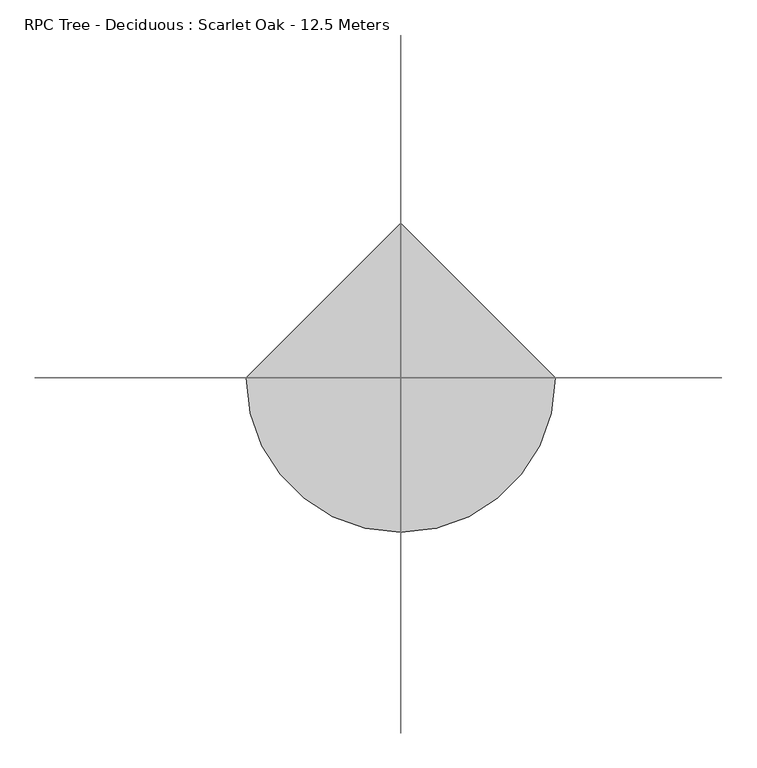
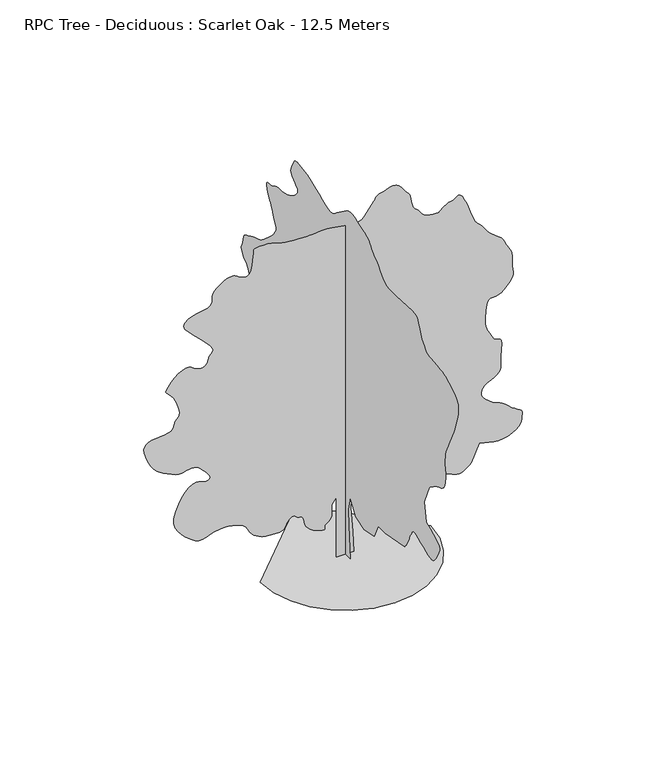
"""IFC4 building model written with IfcOpenShell, lengths in millimetres: geographic element geometry, RPC Tree - Deciduous : Scarlet Oak - 12.5 Meters."""

from ifc_helpers import new_model, si_unit, origin, place, context, project, spatial, triangles, source, transform, mapped, element, save


def rpc_tree_deciduous_scarlet_oak_12_5_meters_13b38d7d(model_context):
    return source(origin(), model_context, "Body", "Tessellation", [
        triangles([(0.0172504, 306.0074844, 0.0), (0.0172504, -293.5650026, 0.0), (0.0172504, -196.8600042, 1141.1199549), (0.0172504, -177.5184886, 1682.6674953), (0.0172504, -293.5650026, 2185.5349113), (0.0172504, -603.0224945, 1682.6674953), (0.0172504, -1105.8875124, 1527.9400211), (0.0172504, -1686.1174301, 1663.3275421), (0.0172504, -1918.2099495, 2146.8525341), (0.0172504, -2324.3725124, 2146.8525341), (0.0172504, -3446.1498253, 2359.6049549), (0.0172504, -3487.4249222, 2409.394939), (0.0172504, -3527.7000801, 2459.5225479), (0.0172504, -3565.9250725, 2510.3249702), (0.0172504, -3601.0999603, 2562.1500046), (0.0172504, -3632.2248047, 2615.3249565), (0.0172504, -3658.2749588, 2670.2000954), (0.0172504, -3678.2499023, 2727.0748215), (0.0172504, -3697.649881, 2785.6750237), (0.0172504, -3722.1248405, 2845.2748741), (0.0172504, -3750.8248329, 2905.7249634), (0.0172504, -3782.89991, 2966.8500114), (0.0172504, -3817.5248314, 3028.475029), (0.0172504, -3853.8249413, 3090.4500252), (0.0172504, -3890.9999977, 3152.5750122), (0.0172504, -3908.7000801, 3172.6499496), (0.0172504, -3933.1750397, 3188.8498329), (0.0172504, -3971.1750458, 3197.2499016), (0.0172504, -4029.4749756, 3193.9748108), (0.0172504, -4114.8499969, 3175.1500877), (0.0172504, -4234.0499886, 3136.8498093), (0.0172504, -4393.8498276, 3075.2250824), (0.0172504, -4562.5749939, 3002.6998581), (0.0172504, -4706.2499451, 2937.9750298), (0.0172504, -4828.2750549, 2886.4249786), (0.0172504, -4932.0251175, 2853.4999535), (0.0172504, -5020.8999252, 2844.5999153), (0.0172504, -5098.249855, 2865.1248253), (0.0172504, -5167.4996979, 2920.4999336), (0.0172504, -5237.3750839, 3007.7248421), (0.0172504, -5309.5997452, 3113.9000473), (0.0172504, -5377.0996948, 3229.5499649), (0.0172504, -5432.7497864, 3345.1998825), (0.0172504, -5469.4498718, 3451.3750877), (0.0172504, -5480.1248016, 3538.6249947), (0.0172504, -5457.6250122, 3597.424894), (0.0172504, -5402.6498795, 3641.6998077), (0.0172504, -5323.3000717, 3691.0249947), (0.0172504, -5223.6747574, 3744.5999222), (0.0172504, -5107.774855, 3801.5499344), (0.0172504, -4979.7251129, 3861.0500816), (0.0172504, -4843.5499947, 3922.224836), (0.0172504, -4703.3248329, 3984.2498291), (0.0172504, -4587.2749397, 4641.8498062), (0.0172504, -4877.3749649, 5318.7747665), (0.0172504, -4886.5249878, 5331.7001404), (0.0172504, -4900.7247025, 5347.4747589), (0.0172504, -4925.0999588, 5369.0251877), (0.0172504, -4964.6748688, 5399.20009), (0.0172504, -5024.5497025, 5440.8498734), (0.0172504, -5109.8247299, 5496.8999405), (0.0172504, -5225.5246445, 5570.225116), (0.0172504, -5351.0501221, 5636.6501312), (0.0172504, -5462.3497238, 5680.0498077), (0.0172504, -5559.4501923, 5715.3499786), (0.0172504, -5642.3497833, 5757.424736), (0.0172504, -5711.0246613, 5821.1499161), (0.0172504, -5765.4998245, 5921.4001923), (0.0172504, -5805.7496933, 6073.0746552), (0.0172504, -5829.0500153, 6222.0498642), (0.0172504, -5835.7501877, 6317.5748474), (0.0172504, -5830.6249191, 6379.6001312), (0.0172504, -5818.3750854, 6428.1000778), (0.0172504, -5803.7748138, 6483.0246323), (0.0172504, -5791.5499786, 6564.3249023), (0.0172504, -5786.4247101, 6691.9996674), (0.0172504, -5788.2251816, 6832.849791), (0.0172504, -5796.1246994, 6949.6746368), (0.0172504, -5813.8247818, 7056.3751007), (0.0172504, -5845.0496201, 7166.7747574), (0.0172504, -5893.550148, 7294.7750839), (0.0172504, -5963.0249771, 7454.2496521), (0.0172504, -6057.1750443, 7659.049942), (0.0172504, -6146.5748199, 7844.1746887), (0.0172504, -6206.1746704, 7955.8748474), (0.0172504, -6246.4751175, 8024.9497009), (0.0172504, -6277.9999374, 8082.1746964), (0.0172504, -6311.2246536, 8158.3496979), (0.0172504, -6356.599791, 8284.2751511), (0.0172504, -6424.6747055, 8490.6997604), (0.0172504, -6498.0248795, 8729.4997192), (0.0172504, -6547.3747742, 8935.1499573), (0.0172504, -6565.2498459, 9112.3746048), (0.0172504, -6544.199968, 9265.925116), (0.0172504, -6476.8250107, 9400.5250397), (0.0172504, -6355.6498489, 9520.8996689), (0.0172504, -6173.2249374, 9631.8248749), (0.0172504, -5996.2246948, 9723.0001236), (0.0172504, -5879.7998245, 9785.7747803), (0.0172504, -5799.2250916, 9827.2001587), (0.0172504, -5729.799678, 9854.4496582), (0.0172504, -5646.85009, 9874.575174), (0.0172504, -5525.6749283, 9894.699527), (0.0172504, -5341.575119, 9921.9501892), (0.0172504, -5144.0999634, 9943.4244598), (0.0172504, -4990.9500092, 9951.725116), (0.0172504, -4869.5998581, 9962.0244873), (0.0172504, -4767.5499825, 9989.5995483), (0.0172504, -4672.2499855, 10049.6493713), (0.0172504, -4571.2000488, 10157.425351), (0.0172504, -4451.8750648, 10328.0998169), (0.0172504, -4347.6750298, 10515.7499908), (0.0172504, -4286.1000092, 10666.5500885), (0.0172504, -4245.8498497, 10783.8243256), (0.0172504, -4205.5749825, 10871.0003998), (0.0172504, -4143.9999619, 10931.4501984), (0.0172504, -4039.7999268, 10968.5502594), (0.0172504, -3871.650016, 10985.7003754), (0.0172504, -2943.2749969, 10927.6748474), (0.0172504, -2772.1499771, 10930.6746643), (0.0172504, -2632.8250511, 10930.2746887), (0.0172504, -2514.4500092, 10937.3242584), (0.0172504, -2406.244986, 10962.6250397), (0.0172504, -2297.3599171, 11017.0496246), (0.0172504, -2176.9724979, 11111.3752625), (0.0172504, -2034.2549011, 11256.4745453), (0.0172504, -1896.7275398, 11403.0249023), (0.0172504, -1793.7049038, 11502.8746216), (0.0172504, -1717.0749882, 11568.5752625), (0.0172504, -1658.7124168, 11612.6248993), (0.0172504, -1610.5024235, 11647.5250946), (0.0172504, -1564.3199226, 11685.7995026), (0.0172504, -1512.0500027, 11739.9996826), (0.0172504, -1461.8649845, 11803.9992645), (0.0172504, -1420.8125484, 11863.6002777), (0.0172504, -1379.087479, 11919.1503754), (0.0172504, -1326.8724976, 11970.9495392), (0.0172504, -1254.3574471, 12019.4000702), (0.0172504, -1151.7299904, 12064.7996246), (0.0172504, -1009.182514, 12107.4749268), (0.0172504, -849.1549999, 12154.4999634), (0.0172504, -699.9524792, 12206.6002716), (0.0172504, -560.5600064, 12254.6496643), (0.0172504, -429.9675053, 12289.4998627), (0.0172504, -307.1549798, 12302.0246796), (0.0172504, -191.1079934, 12283.0746735), (0.0172504, -80.8134993, 12223.5248199), (0.0172504, 499.4174812, 11798.0252106), (0.0172504, 562.2325061, 11740.8496307), (0.0172504, 623.0199657, 11688.7493225), (0.0172504, 689.217524, 11646.7751404), (0.0172504, 768.2749804, 11620.0500275), (0.0172504, 867.6299623, 11613.6248383), (0.0172504, 994.7275097, 11632.5748444), (0.0172504, 1157.0125168, 11681.9753174), (0.0172504, 1341.1749676, 11755.3243286), (0.0172504, 1526.6899521, 11837.8251068), (0.0172504, 1710.1749733, 11922.0246185), (0.0172504, 1888.2475342, 12000.4500641), (0.0172504, 2057.5249924, 12065.6995697), (0.0172504, 2214.6199093, 12110.3003357), (0.0172504, 2356.1550201, 12126.8249084), (0.0172504, 2484.8875694, 12135.849939), (0.0172504, 2604.4750374, 12156.3742676), (0.0172504, 2712.9248131, 12178.575238), (0.0172504, 2808.1498146, 12192.6743774), (0.0172504, 2888.1748718, 12188.8501923), (0.0172504, 2950.9248207, 12157.2753754), (0.0172504, 2994.400074, 12088.1249451), (0.0172504, 3033.2500282, 12001.2500153), (0.0172504, 3077.8499222, 11921.1246735), (0.0172504, 3119.7499809, 11845.0502472), (0.0172504, 3150.4998482, 11770.3245758), (0.0172504, 3161.6000427, 11694.2745667), (0.0172504, 3144.6249161, 11614.1503876), (0.0172504, 3091.124984, 11527.2498779), (0.0172504, 3009.2500397, 11447.6245056), (0.0172504, 2921.5998665, 11385.2492432), (0.0172504, 2841.4248184, 11331.3502075), (0.0172504, 2781.8749649, 11277.1000305), (0.0172504, 2756.1750801, 11213.7248291), (0.0172504, 2777.4749428, 11132.4251404), (0.0172504, 2859.0249069, 11024.3747589), (0.0172504, 2971.6250107, 10916.724353), (0.0172504, 3077.7999252, 10838.2000763), (0.0172504, 3178.2249001, 10782.3), (0.0172504, 3273.574894, 10742.6745117), (0.0172504, 3364.5248657, 10712.8251709), (0.0172504, 3451.7750633, 10686.4000397), (0.0172504, 3535.9498672, 10656.8995148), (0.0172504, 3620.024968, 10634.1753204), (0.0172504, 3706.4749237, 10626.6746155), (0.0172504, 3795.2750267, 10625.9502411), (0.0172504, 3886.4499847, 10623.5248077), (0.0172504, 3979.9997978, 10610.9499939), (0.0172504, 4075.9250473, 10579.7495728), (0.0172504, 4174.1998627, 10521.5252197), (0.0172504, 4275.775058, 10469.7993073), (0.0172504, 4375.6250679, 10451.2492767), (0.0172504, 4464.9998451, 10446.8995422), (0.0172504, 4535.0999268, 10437.8245148), (0.0172504, 4577.0999794, 10405.075351), (0.0172504, 4582.2249573, 10329.6753021), (0.0172504, 4541.6998146, 10192.7243591), (0.0172504, 4481.7999825, 10048.5994354), (0.0172504, 4432.0748199, 9951.4995483), (0.0172504, 4388.424868, 9882.1247131), (0.0172504, 4346.824791, 9821.224942), (0.0172504, 4303.174839, 9749.4996689), (0.0172504, 4253.4249687, 9647.6750702), (0.0172504, 4193.5498444, 9496.4499985), (0.0172504, 4130.2749275, 9347.6997757), (0.0172504, 4075.8250534, 9253.7496964), (0.0172504, 4034.1999779, 9195.999733), (0.0172504, 4009.500032, 9155.8498581), (0.0172504, 4005.7749687, 9114.7000443), (0.0172504, 4027.0998299, 9053.8996857), (0.0172504, 4077.4999512, 8954.8999146), (0.0172504, 4167.2249977, 8823.6747849), (0.0172504, 4293.1248711, 8684.3501495), (0.0172504, 4439.3499573, 8545.349913), (0.0172504, 4589.9500671, 8415.1497208), (0.0172504, 4729.0750053, 8302.1996384), (0.0172504, 4840.7748734, 8214.9747299), (0.0172504, 4909.1747681, 8161.9000626), (0.0172504, 4969.9001312, 8128.6997635), (0.0172504, 5061.0747986, 8095.1500671), (0.0172504, 5170.5250946, 8060.9248306), (0.0172504, 5286.0750183, 8025.6746567), (0.0172504, 5395.524733, 7989.0751465), (0.0172504, 5486.6999817, 7950.8001572), (0.0172504, 5547.4247635, 7910.4747116), (0.0172504, 5598.275148, 7876.9750122), (0.0172504, 5663.0246841, 7853.2997131), (0.0172504, 5734.1749924, 7830.2999542), (0.0172504, 5804.3247803, 7798.8251312), (0.0172504, 5866.0250839, 7749.7746368), (0.0172504, 5911.8001968, 7673.9746124), (0.0172504, 5934.2499893, 7562.325032), (0.0172504, 5952.6250305, 7450.1749008), (0.0172504, 5984.1998474, 7370.8500916), (0.0172504, 6018.4750809, 7312.1496048), (0.0172504, 6044.9996246, 7261.899765), (0.0172504, 6053.224704, 7207.9501511), (0.0172504, 6032.699794, 7138.074765), (0.0172504, 5972.9249542, 7040.1249298), (0.0172504, 5898.7248322, 6948.3747162), (0.0172504, 5838.7250061, 6893.5251572), (0.0172504, 5788.2001831, 6857.9500031), (0.0172504, 5742.4000717, 6824.0497467), (0.0172504, 5696.6249588, 6774.2498795), (0.0172504, 5646.1001358, 6690.9747299), (0.0172504, 5586.0997284, 6556.5997925), (0.0172504, 5520.6996506, 6421.9998688), (0.0172504, 5460.6998245, 6337.1498154), (0.0172504, 5411.5249191, 6283.0746277), (0.0172504, 5378.6001846, 6240.824881), (0.0172504, 5367.3247101, 6191.4999847), (0.0172504, 5383.09991, 6116.0999359), (0.0172504, 5431.3748703, 5995.7247253), (0.0172504, 5495.5000259, 5864.0496231), (0.0172504, 5555.8748291, 5761.8250488), (0.0172504, 5613.5747955, 5680.5747757), (0.0172504, 5669.5498672, 5611.8249023), (0.0172504, 5724.8749786, 5547.1497803), (0.0172504, 5780.5250702, 5478.0749268), (0.0172504, 5837.5250793, 5396.1496948), (0.0172504, 5903.6751114, 5315.3499756), (0.0172504, 5980.6500641, 5249.4249298), (0.0172504, 6060.324852, 5189.6000931), (0.0172504, 6134.5999695, 5127.0498413), (0.0172504, 6195.3247513, 5053.0247086), (0.0172504, 6234.3996918, 4958.6746536), (0.0172504, 6243.6997055, 4835.2499199), (0.0172504, 6251.5248093, 4738.3250221), (0.0172504, 6280.349794, 4706.349939), (0.0172504, 6313.2251129, 4704.825032), (0.0172504, 6333.2500534, 4699.249791), (0.0172504, 6323.4750687, 4655.0998695), (0.0172504, 6267.0500244, 4537.8750481), (0.0172504, 6146.999794, 4313.0498177), (0.0172504, 6021.4748978, 4060.8748032), (0.0172504, 5945.6998718, 3875.3750793), (0.0172504, 5898.3248566, 3742.6250427), (0.0172504, 5858.0749878, 3648.7999557), (0.0172504, 5803.5998245, 3580.0000854), (0.0172504, 5713.6000854, 3522.3748238), (0.0172504, 5566.7747452, 3462.0500175), (0.0172504, 5397.2496277, 3413.0998077), (0.0172504, 5248.0500137, 3392.5748978), (0.0172504, 5111.0246567, 3390.9999939), (0.0172504, 4978.0746323, 3398.8998024), (0.0172504, 4841.0498566, 3406.7749031), (0.0172504, 4691.8499519, 3405.1999992), (0.0172504, 4522.3498329, 3384.6750893), (0.0172504, 4353.2999771, 3366.3000481), (0.0172504, 4207.2498802, 3370.249807), (0.0172504, 4078.7998718, 3385.7000267), (0.0172504, 3962.5249924, 3401.8249146), (0.0172504, 3853.0249901, 3407.7998405), (0.0172504, 3744.8749054, 3392.799884), (0.0172504, 3632.6500694, 3345.9998337), (0.0172504, 3525.249939, 3296.2499634), (0.0172504, 3436.4248375, 3270.1998093), (0.0172504, 3368.249929, 3253.6249489), (0.0172504, 3322.75009, 3232.3250862), (0.0172504, 3301.9499062, 3192.0499283), (0.0172504, 3307.8748352, 3118.6500481), (0.0172504, 3342.5500443, 2997.8498634), (0.0172504, 3398.4748283, 2869.5248474), (0.0172504, 3465.5748024, 2778.7248665), (0.0172504, 3542.0000793, 2719.2500084), (0.0172504, 3625.8499031, 2684.8000763), (0.0172504, 3715.274968, 2669.1248703), (0.0172504, 3808.4248055, 2665.9500641), (0.0172504, 3903.4248207, 2669.0498749), (0.0172504, 4270.9250633, 2262.8999565), (0.0172504, 4299.7250496, 2217.1674282), (0.0172504, 4327.3498169, 2170.5925095), (0.0172504, 4352.6250183, 2122.3249615), (0.0172504, 4374.3248566, 2071.5174522), (0.0172504, 4391.2999832, 2017.3299168), (0.0172504, 4402.3498901, 1958.9124069), (0.0172504, 4406.2999397, 1895.4199162), (0.0172504, 4405.6249809, 1829.2200325), (0.0172504, 4400.8999786, 1763.6974331), (0.0172504, 4388.0248924, 1699.5299835), (0.0172504, 4362.9999664, 1637.3900265), (0.0172504, 4321.7248695, 1577.9574623), (0.0172504, 4260.1498489, 1521.9075405), (0.0172504, 4174.1998627, 1469.9175453), (0.0172504, 4092.2249245, 1425.7650078), (0.0172504, 4034.5999535, 1391.4249527), (0.0172504, 3985.4250481, 1364.8674168), (0.0172504, 3928.800016, 1344.0599659), (0.0172504, 3848.8499542, 1326.9749622), (0.0172504, 3729.6499626, 1311.5799717), (0.0172504, 3555.2998489, 1295.8475018), (0.0172504, 3356.9750359, 1298.1024513), (0.0172504, 3174.2248535, 1332.8375404), (0.0172504, 3003.6500908, 1392.27243), (0.0172504, 2841.8750816, 1468.6199501), (0.0172504, 2685.525032, 1554.1049938), (0.0172504, 2531.1748604, 1640.9424259), (0.0172504, 2375.4949734, 1721.3500179), (0.0172504, 2236.6674007, 1794.4849434), (0.0172504, 2129.3049133, 1863.5599422), (0.0172504, 2044.6099377, 1926.8850014), (0.0172504, 1973.7875164, 1982.7650208), (0.0172504, 1908.0399307, 2029.5099873), (0.0172504, 1838.5700432, 2065.4300331), (0.0172504, 1756.5824604, 2088.8299129), (0.0172504, 1666.4174698, 2108.5649002), (0.0172504, 1577.6074837, 2133.0375343), (0.0172504, 1489.134977, 2159.8799366), (0.0172504, 1399.9875114, 2186.7200134), (0.0172504, 1309.1449459, 2211.1925022), (0.0172504, 1215.5974583, 2230.9274895), (0.0172504, 1118.3299942, 2243.5575325), (0.0172504, 1018.8625191, 2250.1549496), (0.0172504, 919.3925005, 2253.7074944), (0.0172504, 819.9249527, 2254.7224033), (0.0172504, 720.4574776, 2253.7074944), (0.0172504, 620.9900024, 2251.1700039), (0.0172504, 521.5199839, 2247.6174591), (0.0172504, 422.0525087, 2243.5575325), (0.0172504, 228.6430025, 1953.4425373), (0.0172504, 189.960498, 1508.5999226), (280.4450004, 0.0006008, 0.0092122), (-299.78499, 0.0006008, 0.0092122), (-299.78499, 0.0004756, 2127.5199932), (-454.5149895, 0.0004756, 1914.7698978), (-454.5149895, 0.0005007, 1682.6775238), (-450.962481, 0.0005007, 1628.8274677), (-450.962481, 0.0005007, 1575.1449886), (-458.0674979, 0.0005007, 1521.8024597), (-475.8274967, 0.0005257, 1468.967458), (-507.8000001, 0.0005257, 1416.8100311), (-557.5350094, 0.0005257, 1365.4949947), (-628.5824896, 0.0005257, 1315.1974834), (-684.2375227, 0.0005257, 1262.982502), (-699.6325132, 0.0005257, 1210.0899456), (-696.0799685, 0.0005257, 1162.9524885), (-694.8950117, 0.0005257, 1127.990015), (-717.3950191, 0.0005257, 1111.6374521), (-784.8899546, 0.0005257, 1120.3224598), (-918.6974848, 0.0005257, 1160.4700092), (-1071.3399845, 0.0005257, 1223.0050003), (-1185.4124548, 0.0005257, 1293.6575191), (-1267.3424103, 0.0005257, 1371.0799736), (-1323.5625252, 0.0005257, 1453.9124176), (-1360.49748, 0.0005007, 1540.8049335), (-1384.5749348, 0.0005007, 1630.4049877), (-1402.2250202, 0.0005007, 1721.359901), (-1406.7349194, 0.0005007, 1746.1124599), (-1413.4449749, 0.0005007, 1770.1899147), (-1424.5524364, 0.0005007, 1792.9174519), (-1442.2599312, 0.0005007, 1813.6099388), (-1468.7599125, 0.0005007, 1831.5975037), (-1506.2599491, 0.0005007, 1846.2024261), (-1556.9524944, 0.0005007, 1856.747422), (-1607.6450397, 0.0005007, 1874.1124958), (-1647.509903, 0.0005007, 1903.3224861), (-1682.3024014, 0.0004756, 1934.8999191), (-1717.7700039, 0.0004756, 1959.3724079), (-1759.6674465, 0.0004756, 1967.2674202), (-1813.7424889, 0.0004756, 1949.1099529), (-1885.7500122, 0.0005007, 1895.4274738), (-1949.0724552, 0.0005007, 1820.3199944), (-1984.9925011, 0.0005007, 1746.902528), (-2011.0999191, 0.0005007, 1679.2374722), (-2044.9875309, 0.0005007, 1621.382428), (-2104.2525181, 0.0005007, 1577.402409), (-2206.4824699, 0.0005007, 1551.3499294), (-2369.2750042, 0.0005007, 1547.2900028), (-2549.149926, 0.0005007, 1559.2449417), (-2695.2000229, 0.0005007, 1578.979929), (-2813.8250496, 0.0005007, 1607.1750103), (-2911.4999016, 0.0005007, 1644.5025284), (-2994.6250603, 0.0005007, 1691.6425289), (-3069.5998444, 0.0005007, 1749.2724415), (-3142.9250198, 0.0005007, 1818.0648994), (-3205.1000038, 0.0005007, 1893.5100037), (-3249.7248962, 0.0004756, 1969.2975288), (-3287.549913, 0.0004756, 2043.389954), (-3329.4499718, 0.0004756, 2113.7624027), (-3386.2249947, 0.0004756, 2178.3824409), (-3468.7249008, 0.0004756, 2235.2224308), (-3587.7499031, 0.0004756, 2282.2499382), (-3707.4248657, 0.0004756, 2317.9974655), (-3794.2497986, 0.0004506, 2343.2600224), (-3862.8249733, 0.0004506, 2359.3875263), (-3927.674794, 0.0004506, 2367.7325111), (-4003.3248276, 0.0004506, 2369.6499813), (-4104.3750549, 0.0004506, 2366.4924706), (-4245.3498802, 0.0004506, 2359.6125126), (-4400.3500122, 0.0004506, 2335.1974331), (-4538.1250328, 0.0004756, 2289.8050003), (-4665.0498436, 0.0004756, 2240.3524956), (-4787.5749229, 0.0004756, 2203.7574909), (-4912.1501678, 0.0004756, 2196.9349422), (-5045.1501892, 0.0004756, 2236.7999508), (-5193.0498825, 0.0004506, 2340.272414), (-5347.7997391, 0.0004506, 2478.6475433), (-5490.6747391, 0.0004506, 2615.9999153), (-5612.2498764, 0.0004256, 2758.4499413), (-5703.0251495, 0.0004256, 2912.049868), (-5753.5499725, 0.0004256, 3082.8999046), (-5754.3499237, 0.0004005, 3277.0999695), (-5695.9250015, 0.0004005, 3500.7249825), (-5598.1501556, 0.0003755, 3726.2748779), (-5489.1998291, 0.0003755, 3919.6999901), (-5372.1499969, 0.0003505, 4077.2499664), (-5250.0248932, 0.0003505, 4195.2000343), (-5125.8499146, 0.0003505, 4269.8498383), (-5002.6998734, 0.0003505, 4297.4998947), (-4883.6001663, 0.0003505, 4274.3748528), (-4771.2750458, 0.0003505, 4235.4749016), (-4671.8250114, 0.0003505, 4218.8750427), (-4593.3248611, 0.0003505, 4225.6499199), (-4543.9249695, 0.0003505, 4256.7750549), (-4531.7498405, 0.0003505, 4313.2748039), (-4564.899852, 0.0003505, 4396.1749763), (-4651.4997986, 0.0003254, 4506.4749298), (-4752.500029, 0.0003254, 4617.0998634), (-4829.4749817, 0.0003254, 4702.3498924), (-4891.5496811, 0.0003254, 4765.2748306), (-4947.8747314, 0.0003254, 4808.9247826), (-5007.6001556, 0.0003254, 4836.3248543), (-5079.8248169, 0.0003004, 4850.5498581), (-5173.7248993, 0.0003004, 4854.5999016), (-5270.0248352, 0.0003254, 4845.5248741), (-5349.7751999, 0.0003254, 4824.5999886), (-5422.3998367, 0.0003254, 4801.3249557), (-5497.39991, 0.0003254, 4785.1247818), (-5584.2248428, 0.0003254, 4785.5250481), (-5692.3746368, 0.0003254, 4811.9748871), (-5831.3248764, 0.0003004, 4873.9498833), (-5978.7751785, 0.0003004, 4948.0997177), (-6108.6248108, 0.0003004, 5012.4248611), (-6224.624707, 0.0003004, 5078.4748993), (-6330.4496429, 0.0003004, 5157.6997147), (-6429.8749695, 0.0003004, 5261.5997681), (-6526.574881, 0.0002754, 5401.7249359), (-6624.2997299, 0.0002754, 5589.5750977), (-6705.1000305, 0.0002503, 5784.4998276), (-6749.6996338, 0.0002503, 5941.2001465), (-6759.8001801, 0.0002503, 6064.0746231), (-6737.074823, 0.0002253, 6157.4997345), (-6683.2246216, 0.0002253, 6225.8996292), (-6599.9500534, 0.0002253, 6273.6496216), (-6488.899855, 0.0002253, 6305.1750229), (-6357.7997177, 0.0002253, 6323.2750809), (-6219.2750336, 0.0002253, 6333.9500107), (-6082.3996674, 0.0002253, 6346.2748398), (-5956.3748016, 0.0002253, 6369.4501694), (-5850.3248795, 0.0002253, 6412.5998611), (-5773.3499268, 0.0002253, 6484.8251038), (-5734.5999664, 0.0002003, 6595.2997559), (-5705.9749695, 0.0002003, 6701.9746399), (-5661.749762, 0.0002003, 6771.4500504), (-5614.8497177, 0.0002003, 6825.699646), (-5578.0746368, 0.0002003, 6886.6999924), (-5564.3248947, 0.0001752, 6976.4747452), (-5586.4247086, 0.0001752, 7116.9998886), (-5657.2500366, 0.0001752, 7330.2496628), (-5757.5497284, 0.0001502, 7540.2996323), (-5853.4746872, 0.0001502, 7672.5247009), (-5935.8498917, 0.0001502, 7750.975145), (-5995.5747345, 0.0001252, 7799.6250824), (-6023.4747757, 0.0001252, 7842.5247894), (-6010.4499893, 0.0001252, 7903.7251236), (-5947.3497711, 0.0001252, 8007.1996216), (-5845.6501648, 0.0001252, 8136.3248795), (-5728.0247864, 0.0001001, 8253.9496765), (-5602.2749039, 0.0001001, 8353.3000076), (-5476.1750427, 0.0001001, 8427.6251221), (-5357.5497253, 0.0001001, 8470.1248535), (-5254.1246429, 0.0001001, 8474.0746124), (-5173.7248993, 0.0001001, 8432.6998123), (-5094.9000595, 0.0001001, 8371.00009), (-4997.8001724, 0.0001001, 8322.8501221), (-4892.5751999, 0.0001001, 8294.6500992), (-4789.3748131, 0.0001001, 8292.8496277), (-4698.3748444, 0.0001001, 8323.8750595), (-4629.6999664, 0.0001001, 8394.1248413), (-4593.4998505, 0.0001001, 8510.0497421), (-4560.3248405, 0.0001001, 8620.5749725), (-4508.224823, 7.51e-05, 8686.1000427), (-4458.4999512, 7.51e-05, 8730.2996704), (-4432.4497971, 7.51e-05, 8776.8747345), (-4451.3998032, 7.51e-05, 8849.4999527), (-4536.6498322, 7.51e-05, 8971.8750412), (-4709.5500343, 5.01e-05, 9167.6497192), (-4926.3498825, 5.01e-05, 9388.7995926), (-5120.1496811, 2.5e-05, 9575.0998489), (-5277.4249649, 2.5e-05, 9731.9745758), (-5384.5998184, 2.5e-05, 9864.8246063), (-5428.2000641, 0.0, 9979.0746094), (-5394.6497864, 0.0, 10080.1254181), (-5270.4248108, 0.0, 10173.3743774), (-5104.7500397, 0.0, 10245.2246429), (-4956.3497955, 0.0, 10286.2744629), (-4825.8749107, 0.0, 10308.3742767), (-4714.0000534, -2.5e-05, 10323.3745239), (-4621.3998917, -2.5e-05, 10343.1000641), (-4548.7749641, -2.5e-05, 10379.4245911), (-4496.7749405, -2.5e-05, 10444.1497101), (-4470.8500694, -2.5e-05, 10520.7252686), (-4466.9000198, -2.5e-05, 10587.8246613), (-4471.4000359, -2.5e-05, 10650.1999237), (-4470.8500694, -2.5e-05, 10712.5751862), (-4451.6747864, -5.01e-05, 10779.6745789), (-4400.3500122, -5.01e-05, 10856.2501373), (-4303.3748268, -5.01e-05, 10947.0248291), (-4184.6748047, -5.01e-05, 11036.8495789), (-4076.1250351, -5.01e-05, 11106.7243835), (-3976.0500389, -7.51e-05, 11155.5993073), (-3882.7249214, -7.51e-05, 11182.4999908), (-3794.4750755, -7.51e-05, 11186.3997528), (-3709.6000237, -7.51e-05, 11166.2498199), (-3626.4498665, -5.01e-05, 11121.1002502), (-3540.7248665, -5.01e-05, 11065.9001312), (-3452.3250298, -5.01e-05, 11022.8748505), (-3365.6000908, -5.01e-05, 11001.8249725), (-3284.9500717, -5.01e-05, 11012.5998962), (-3214.7999931, -5.01e-05, 11064.9746063), (-3159.5498772, -7.51e-05, 11168.7996643), (-3123.5750381, -7.51e-05, 11333.8500549), (-3102.0998955, -7.51e-05, 11511.0752838), (-3086.6999634, -0.0001001, 11648.0250641), (-3076.3750122, -0.0001001, 11749.4746857), (-3070.1248123, -0.0001001, 11820.1250244), (-3066.9000092, -0.0001001, 11864.7246277), (-3065.7250809, -0.0001001, 11888.0243683), (-3065.5500916, -0.0001001, 11894.7251221), (-3040.1248993, -0.0001001, 11898.674881), (-2971.0500458, -0.0001001, 11907.37435), (-2869.1498703, -0.0001001, 11916.0494019), (-2745.2748734, -0.0001001, 11920.0003235), (-2610.2249771, -0.0001001, 11914.4750793), (-2474.8323692, -0.0001001, 11894.7251221), (-2349.9349056, -0.0001001, 11856.0495758), (-2235.4099194, -0.0001001, 11813.024295), (-2120.5474537, -0.0001001, 11781.8494537), (-2000.2725277, -0.0001001, 11760.1251984), (-1869.507399, -0.0001001, 11745.5249268), (-1723.1824642, -0.0001001, 11735.6743652), (-1556.2175102, -0.0001001, 11728.174823), (-1363.5400269, -0.0001001, 11720.6752808), (-1177.5749971, -0.0001001, 11719.599765), (-1024.4249702, -0.0001001, 11728.6747925), (-889.5449764, -0.0001001, 11741.475174), (-758.3875025, -0.0001001, 11751.5745575), (-616.4049625, -0.0001001, 11752.5244995), (-449.0450109, -0.0001001, 11737.9253906), (-241.7632409, -0.0001001, 11701.3252991), (-32.2257492, -0.0001001, 11657.8000488), (136.7124946, -0.0001001, 11627.7995544), (271.8174929, -0.0001001, 11613.0248749), (379.8574825, -0.0001001, 11615.1503265), (467.5974758, -0.0001001, 11635.9246399), (541.8025031, -0.0001001, 11676.9744598), (609.2425, -0.0001001, 11739.9996826), (899.3574589, -0.0001252, 12107.4749268), (942.8899761, -0.0001252, 12164.1493744), (977.6249926, -0.0001252, 12217.4496094), (1008.9749685, -0.0001252, 12266.3245331), (1042.3574512, -0.0001252, 12309.7997864), (1083.1825029, -0.0001252, 12346.8498505), (1136.864982, -0.0001252, 12376.4503693), (1208.8149508, -0.0001252, 12397.6002411), (1297.0049892, -0.0001502, 12421.8499237), (1393.3149536, -0.0001502, 12454.2246918), (1494.0224693, -0.0001502, 12483.8752075), (1595.4100307, -0.0001502, 12499.9998047), (1693.7499584, -0.0001502, 12491.7747253), (1785.3224213, -0.0001502, 12448.349469), (1866.4099136, -0.0001252, 12358.9246948), (1938.4149662, -0.0001252, 12256.9251068), (2004.3324543, -0.0001252, 12177.5752991), (2062.8075188, -0.0001252, 12112.7746033), (2112.4850098, -0.0001252, 12054.4246765), (2152.0125389, -0.0001252, 11994.3748535), (2180.0374271, -0.0001001, 11924.5000488), (2195.2049606, -0.0001001, 11836.6995941), (2205.7499565, -0.0001001, 11745.6993347), (2220.3550243, -0.0001001, 11669.9248901), (2238.3424438, -0.0001001, 11606.8252533), (2259.0349308, -7.51e-05, 11553.8749969), (2281.7599972, -7.51e-05, 11508.5242767), (2305.8374519, -7.51e-05, 11468.274408), (2330.5924816, -7.51e-05, 11430.5499664), (2355.6274361, -7.51e-05, 11413.5742584), (2381.6799156, -7.51e-05, 11394.2242767), (2409.760033, -7.51e-05, 11370.1501648), (2440.8873482, -7.51e-05, 11338.9753235), (2476.0724098, -7.51e-05, 11298.3243164), (2516.3248947, -7.51e-05, 11245.8251953), (2562.6749725, -7.51e-05, 11179.1246155), (2631.3748489, -5.01e-05, 11115.7249969), (2728.4750267, -5.01e-05, 11072.3253204), (2839.7749191, -5.01e-05, 11045.1246552), (2951.0748116, -5.01e-05, 11030.4743866), (3048.1749893, -5.01e-05, 11024.6003265), (3116.8748657, -5.01e-05, 11023.8247925), (3142.9250198, -5.01e-05, 11024.4003387), (3156.2750771, -5.01e-05, 11038.3250702), (3192.9998703, -5.01e-05, 11074.2252045), (3247.9750031, -5.01e-05, 11123.3501129), (3316.1499115, -7.51e-05, 11176.8503357), (3392.4249069, -7.51e-05, 11225.9752441), (3471.7750053, -7.51e-05, 11261.8997955), (3549.0749382, -7.51e-05, 11275.824527), (3618.3750687, -7.51e-05, 11292.800235), (3679.549823, -7.51e-05, 11331.0746429), (3736.3498444, -7.51e-05, 11371.7244873), (3792.4499084, -7.51e-05, 11395.8253418), (3851.6000771, -7.51e-05, 11384.3748779), (3917.5248322, -7.51e-05, 11318.4498322), (3993.9248199, -7.51e-05, 11179.1246155), (4065.8750793, -5.01e-05, 11015.4253052), (4119.5500008, -5.01e-05, 10883.1996552), (4160.3748344, -5.01e-05, 10773.6249481), (4193.7498322, -2.5e-05, 10677.9493927), (4225.0999535, -2.5e-05, 10587.3246918), (4259.8498672, -2.5e-05, 10493.0002167), (4303.3748268, -2.5e-05, 10386.1253448), (4348.1000038, 0.0, 10292.3496735), (4386.3749931, 0.0, 10232.749823), (4423.6500435, 0.0, 10191.7744171), (4465.3248253, 0.0, 10153.824408), (4516.799881, 0.0, 10103.3495819), (4583.4998795, 0.0, 10024.7997253), (4670.850071, 0.0, 9902.6002075), (4778.3749031, 2.5e-05, 9766.6003693), (4896.3999664, 2.5e-05, 9652.9247498), (5016.4501968, 2.5e-05, 9555.474884), (5130.0746567, 5.01e-05, 9468.1999786), (5228.8000259, 5.01e-05, 9384.974826), (5304.2000748, 5.01e-05, 9299.6997986), (5347.7997391, 5.01e-05, 9206.3246841), (5382.0249756, 5.01e-05, 9114.7500412), (5429.774968, 7.51e-05, 9032.6498199), (5483.3001892, 7.51e-05, 8950.5495987), (5534.7749542, 7.51e-05, 8858.9749557), (5576.449736, 7.51e-05, 8748.4747238), (5600.5250107, 0.0001001, 8609.5250656), (5599.22509, 0.0001001, 8432.6998123), (5596.5746704, 0.0001001, 8262.7497208), (5611.174942, 0.0001252, 8138.7997284), (5627.1251312, 0.0001252, 8042.949765), (5628.5500443, 0.0001252, 7957.224765), (5599.5000732, 0.0001252, 7863.7496567), (5524.1250229, 0.0001502, 7744.5249573), (5386.474704, 0.0001502, 7581.6750137), (5223.124791, 0.0001502, 7444.9496384), (5081.4247192, 0.0001502, 7390.0750809), (4961.7000504, 0.0001502, 7378.1746445), (4864.3248894, 0.0001502, 7370.3501221), (4789.5997993, 0.0001752, 7327.6498215), (4737.9000481, 0.0001752, 7211.2249512), (4709.5250359, 0.0001752, 6982.1249817), (4698.9248108, 0.0002003, 6728.5997589), (4700.5250038, 0.0002003, 6550.1751846), (4714.6000168, 0.0002253, 6424.8996918), (4741.5748238, 0.0002253, 6330.7246262), (4781.7249893, 0.0002253, 6245.7001648), (4835.3999107, 0.0002253, 6147.7997452), (4902.950148, 0.0002503, 6015.074707), (4980.0250946, 0.0002503, 5899.6497757), (5057.7999985, 0.0002503, 5847.1500732), (5129.7996735, 0.0002503, 5825.7746338), (5189.6250916, 0.0002503, 5803.7248169), (5230.8499008, 0.0002503, 5749.1996567), (5247.0250763, 0.0002754, 5630.3749329), (5231.7498459, 0.0002754, 5415.4996765), (5210.9999496, 0.0003004, 5178.6001831), (5207.8251434, 0.0003004, 5005.3247131), (5211.4499222, 0.0003004, 4881.0997375), (5210.9999496, 0.0003254, 4791.3999802), (5195.6497238, 0.0003254, 4721.6498772), (5154.5999039, 0.0003254, 4657.3000259), (5077.0249878, 0.0003254, 4583.8248596), (4983.2998947, 0.0003254, 4514.9249954), (4900.3997223, 0.0003254, 4468.3499313), (4827.3248222, 0.0003254, 4435.6498924), (4763.0499664, 0.0003505, 4408.3498146), (4706.5499268, 0.0003505, 4378.0249214), (4656.8250549, 0.0003505, 4336.1748596), (4612.8248337, 0.0003505, 4274.3748528), (4577.8749321, 0.0003505, 4202.8248596), (4558.1249748, 0.0003505, 4135.32491), (4557.0000435, 0.0003505, 4068.8498978), (4577.8749321, 0.0003755, 4000.3250107), (4624.1000175, 0.0003755, 3926.7498505), (4699.0998001, 0.0003755, 3845.024897), (4806.2499458, 0.0003755, 3752.1750412), (4919.7997009, 0.0003755, 3670.8000664), (5016.1246353, 0.0003755, 3617.4998314), (5101.5996506, 0.0004005, 3580.1250778), (5182.6999329, 0.0004005, 3546.4748062), (5265.8000931, 0.0004005, 3504.3500519), (5357.374736, 0.0004005, 3441.5748138), (5463.8246338, 0.0004005, 3345.9998337), (5576.8497116, 0.0004005, 3247.2750458), (5681.0497467, 0.0004005, 3176.6249977), (5772.3999847, 0.0004256, 3124.2249985), (5846.8250931, 0.0004256, 3080.3000633), (5900.2747375, 0.0004256, 3035.0249199), (5928.6997467, 0.0004256, 2978.5748772), (5928.0247879, 0.0004256, 2901.1499519), (5916.924884, 0.0004256, 2813.2500847), (5910.1997131, 0.0004506, 2730.7498878), (5898.0748718, 0.0004506, 2651.975045), (5870.7247971, 0.0004506, 2575.2500771), (5818.350087, 0.0004506, 2498.8349739), (5731.1251785, 0.0004506, 2421.0748947), (5599.22509, 0.0004506, 2340.272414), (5441.7248199, 0.0004756, 2274.8624531), (5284.2501297, 0.0004756, 2240.917432), (5126.7498596, 0.0004756, 2233.1924675), (4969.2501709, 0.0004756, 2246.4425308), (4811.7748993, 0.0004756, 2275.4249187), (4654.2749199, 0.0004756, 2314.8975094), (4496.7749405, 0.0004506, 2359.6125126), (4225.9998985, 0.0005007, 1760.0424236), (4159.6498787, 0.0005007, 1702.5250042), (4092.9248817, 0.0005007, 1648.0549278), (4025.5499245, 0.0005007, 1599.675032), (3957.1500298, 0.0005007, 1560.4274277), (3887.3999268, 0.0005007, 1533.3625099), (3815.9499275, 0.0005007, 1521.5225349), (3742.4750519, 0.0005007, 1527.9499043), (3682.5999275, 0.0005007, 1542.5525013), (3644.6999153, 0.0005007, 1554.7899811), (3617.6498222, 0.0005007, 1567.0274609), (3590.2500412, 0.0005007, 1581.6299126), (3551.3248009, 0.0005007, 1600.9724819), (3489.750071, 0.0005007, 1627.4175247), (3394.3500801, 0.0005007, 1663.3374252), (3270.0748169, 0.0005007, 1715.4949974), (3134.2999649, 0.0005007, 1784.5699963), (2994.450071, 0.0005007, 1863.794957), (2857.9999695, 0.0004756, 1946.4024147), (2732.3500809, 0.0004756, 2025.6275208), (2624.9999474, 0.0004756, 2094.7025196), (2543.3499893, 0.0004756, 2146.8624172), (2474.2123489, 0.0004756, 2192.817461), (2400.0074306, 0.0004756, 2246.8925034), (2321.5699219, 0.0004756, 2307.7374813), (2239.7525322, 0.0004506, 2373.9924488), (2155.3950359, 0.0004506, 2444.3074883), (2069.3475266, 0.0004506, 2517.3248337), (1982.4550106, 0.0004506, 2591.6999451), (1963.1124413, 0.0004256, 2881.8249687), (1576.2924477, 0.0004256, 2920.4999336), (880.0149622, 0.0004256, 2862.474987), (415.8325032, 0.0004506, 2611.0499268), (222.421489, 0.0004756, 2146.8624172), (183.7397477, 0.0005007, 1605.3124786), (241.7622416, 0.0005507, 715.6274672), (-2855.9000977, 0.0, 0.0224297), (-2780.4000549, -654.3849844, 0.0224297), (-2565.3750984, -1255.3350037, 0.0224297), (-2228.0499035, -1785.6274899, 0.0224297), (-1785.6274899, -2228.0499035, 0.0224297), (-1255.3350037, -2565.3750984, 0.0224297), (-654.3849844, -2780.4000549, 0.0224297), (0.0001248, -2855.9000977, 0.0224297), (654.3849844, -2780.4000549, 0.0224297), (1255.3350037, -2565.3750984, 0.0224297), (1785.6274899, -2228.0499035, 0.0224297), (2228.0499035, -1785.6274899, 0.0224297), (2565.3750984, -1255.3350037, 0.0224297), (2780.4000549, -654.3849844, 0.0224297), (2855.9000977, 0.0002503, 0.0224297), (-0.0003745, 2855.9000977, 0.0224297)], [[1, 2, 3], [368, 1, 3], [368, 3, 4], [367, 368, 4], [367, 4, 5], [277, 278, 279], [366, 367, 5], [276, 277, 279], [276, 279, 280], [7, 8, 9], [6, 7, 9], [5, 6, 9], [315, 316, 317], [201, 202, 203], [200, 201, 203], [200, 203, 204], [199, 200, 204], [199, 204, 205], [198, 199, 205], [198, 205, 206], [198, 206, 207], [197, 198, 207], [197, 207, 208], [275, 276, 280], [196, 197, 208], [195, 196, 208], [194, 195, 208], [194, 208, 209], [193, 194, 209], [192, 193, 209], [192, 209, 210], [191, 192, 210], [191, 210, 211], [191, 211, 212], [190, 191, 212], [190, 212, 213], [190, 213, 214], [189, 190, 214], [189, 214, 215], [188, 189, 215], [187, 188, 215], [186, 187, 215], [10, 11, 12], [314, 315, 317], [10, 12, 13], [10, 13, 14], [10, 14, 15], [10, 15, 16], [10, 16, 17], [10, 17, 18], [10, 18, 19], [10, 19, 20], [10, 20, 21], [10, 21, 22], [185, 186, 215], [185, 215, 216], [275, 280, 281], [10, 22, 23], [167, 168, 169], [166, 167, 169], [165, 166, 169], [165, 169, 170], [164, 165, 170], [164, 170, 171], [163, 164, 171], [163, 171, 172], [163, 172, 173], [163, 173, 174], [163, 174, 175], [163, 175, 176], [163, 176, 177], [163, 177, 178], [163, 178, 179], [163, 179, 180], [162, 163, 180], [161, 162, 180], [160, 161, 180], [159, 160, 180], [159, 180, 181], [158, 159, 181], [157, 158, 181], [156, 157, 181], [156, 181, 182], [155, 156, 182], [154, 155, 182], [154, 182, 183], [9, 10, 23], [9, 23, 24], [9, 24, 25], [45, 46, 47], [44, 45, 47], [44, 47, 48], [43, 44, 48], [43, 48, 49], [42, 43, 49], [42, 49, 50], [41, 42, 50], [40, 41, 50], [40, 50, 51], [39, 40, 51], [38, 39, 51], [37, 38, 51], [36, 37, 51], [35, 36, 51], [34, 35, 51], [33, 34, 51], [33, 51, 52], [32, 33, 52], [32, 52, 53], [31, 32, 53], [30, 31, 53], [29, 30, 53], [28, 29, 53], [28, 53, 54], [27, 28, 54], [26, 27, 54], [5, 9, 25], [5, 25, 26], [5, 26, 54], [5, 54, 55], [366, 5, 55], [365, 366, 55], [364, 365, 55], [363, 364, 55], [362, 363, 55], [361, 362, 55], [361, 55, 56], [153, 154, 183], [153, 183, 184], [313, 314, 317], [360, 361, 56], [184, 185, 216], [153, 184, 216], [152, 153, 216], [152, 216, 217], [243, 244, 245], [242, 243, 245], [242, 245, 246], [241, 242, 246], [241, 246, 247], [241, 247, 248], [240, 241, 248], [240, 248, 249], [240, 249, 250], [239, 240, 250], [239, 250, 251], [238, 239, 251], [237, 238, 251], [236, 237, 251], [235, 236, 251], [234, 235, 251], [233, 234, 251], [232, 233, 251], [231, 232, 251], [230, 231, 251], [229, 230, 251], [228, 229, 251], [228, 251, 252], [227, 228, 252], [226, 227, 252], [226, 252, 253], [226, 253, 254], [226, 254, 255], [226, 255, 256], [226, 256, 257], [225, 226, 257], [224, 225, 257], [223, 224, 257], [222, 223, 257], [222, 257, 258], [221, 222, 258], [220, 221, 258], [115, 116, 117], [114, 115, 117], [114, 117, 118], [113, 114, 118], [113, 118, 119], [112, 113, 119], [111, 112, 119], [110, 111, 119], [152, 217, 218], [313, 317, 318], [313, 318, 319], [313, 319, 320], [313, 320, 321], [313, 321, 322], [313, 322, 323], [313, 323, 324], [313, 324, 325], [313, 325, 326], [313, 326, 327], [313, 327, 328], [313, 328, 329], [313, 329, 330], [313, 330, 331], [313, 331, 332], [313, 332, 333], [313, 333, 334], [313, 334, 335], [313, 335, 336], [313, 336, 337], [313, 337, 338], [313, 338, 339], [313, 339, 340], [313, 340, 341], [312, 313, 341], [312, 341, 342], [312, 342, 343], [311, 312, 343], [311, 343, 344], [311, 344, 345], [310, 311, 345], [310, 345, 346], [310, 346, 347], [310, 347, 348], [309, 310, 348], [309, 348, 349], [309, 349, 350], [308, 309, 350], [308, 350, 351], [307, 308, 351], [307, 351, 352], [307, 352, 353], [307, 353, 354], [307, 354, 355], [307, 355, 356], [307, 356, 357], [307, 357, 358], [306, 307, 358], [306, 358, 359], [306, 359, 360], [306, 360, 56], [305, 306, 56], [305, 56, 57], [304, 305, 57], [303, 304, 57], [302, 303, 57], [301, 302, 57], [301, 57, 58], [301, 58, 59], [110, 119, 120], [109, 110, 120], [109, 120, 121], [301, 59, 60], [300, 301, 60], [300, 60, 61], [151, 152, 218], [109, 121, 122], [300, 61, 62], [145, 146, 147], [144, 145, 147], [143, 144, 147], [143, 147, 148], [142, 143, 148], [141, 142, 148], [140, 141, 148], [140, 148, 149], [139, 140, 149], [138, 139, 149], [137, 138, 149], [136, 137, 149], [135, 136, 149], [134, 135, 149], [133, 134, 149], [132, 133, 149], [132, 149, 150], [131, 132, 150], [130, 131, 150], [129, 130, 150], [128, 129, 150], [127, 128, 150], [126, 127, 150], [126, 150, 151], [126, 151, 218], [125, 126, 218], [124, 125, 218], [123, 124, 218], [123, 218, 219], [122, 123, 219], [109, 122, 219], [108, 109, 219], [108, 219, 220], [108, 220, 258], [108, 258, 259], [108, 259, 260], [108, 260, 261], [108, 261, 262], [107, 108, 262], [107, 262, 263], [107, 263, 264], [106, 107, 264], [106, 264, 265], [106, 265, 266], [106, 266, 267], [106, 267, 268], [105, 106, 268], [104, 105, 268], [103, 104, 268], [102, 103, 268], [101, 102, 268], [100, 101, 268], [99, 100, 268], [98, 99, 268], [97, 98, 268], [96, 97, 268], [95, 96, 268], [94, 95, 268], [93, 94, 268], [92, 93, 268], [91, 92, 268], [90, 91, 268], [89, 90, 268], [88, 89, 268], [87, 88, 268], [86, 87, 268], [85, 86, 268], [84, 85, 268], [83, 84, 268], [82, 83, 268], [81, 82, 268], [80, 81, 268], [79, 80, 268], [78, 79, 268], [77, 78, 268], [76, 77, 268], [75, 76, 268], [74, 75, 268], [73, 74, 268], [72, 73, 268], [71, 72, 268], [70, 71, 268], [69, 70, 268], [68, 69, 268], [67, 68, 268], [66, 67, 268], [65, 66, 268], [64, 65, 268], [63, 64, 268], [62, 63, 268], [300, 62, 268], [299, 300, 268], [298, 299, 268], [297, 298, 268], [296, 297, 268], [295, 296, 268], [294, 295, 268], [293, 294, 268], [292, 293, 268], [291, 292, 268], [290, 291, 268], [289, 290, 268], [288, 289, 268], [287, 288, 268], [286, 287, 268], [285, 286, 268], [284, 285, 268], [283, 284, 268], [282, 283, 268], [281, 282, 268], [275, 281, 268], [275, 268, 269], [274, 275, 269], [274, 269, 270], [274, 270, 271], [273, 274, 271], [272, 273, 271], [802, 369, 370], [802, 370, 371], [801, 802, 371], [800, 801, 371], [575, 576, 577], [799, 800, 371], [574, 575, 577], [383, 384, 385], [383, 385, 386], [382, 383, 386], [382, 386, 387], [381, 382, 387], [381, 387, 388], [794, 795, 796], [510, 511, 512], [574, 577, 578], [573, 574, 578], [572, 573, 578], [572, 578, 579], [571, 572, 579], [571, 579, 580], [570, 571, 580], [570, 580, 581], [570, 581, 582], [569, 570, 582], [569, 582, 583], [569, 583, 584], [568, 569, 584], [568, 584, 585], [509, 510, 512], [509, 512, 513], [508, 509, 513], [508, 513, 514], [508, 514, 515], [507, 508, 515], [507, 515, 516], [507, 516, 517], [507, 517, 518], [507, 518, 519], [507, 519, 520], [507, 520, 521], [507, 521, 522], [506, 507, 522], [506, 522, 523], [505, 506, 523], [505, 523, 524], [504, 505, 524], [568, 585, 586], [504, 524, 525], [538, 539, 540], [538, 540, 541], [537, 538, 541], [537, 541, 542], [536, 537, 542], [536, 542, 543], [536, 543, 544], [535, 536, 544], [535, 544, 545], [535, 545, 546], [534, 535, 546], [534, 546, 547], [533, 534, 547], [533, 547, 548], [381, 388, 389], [380, 381, 389], [380, 389, 390], [380, 390, 391], [380, 391, 392], [380, 392, 393], [379, 380, 393], [378, 379, 393], [377, 378, 393], [376, 377, 393], [375, 376, 393], [374, 375, 393], [373, 374, 393], [372, 373, 393], [372, 393, 394], [372, 394, 395], [372, 395, 396], [372, 396, 397], [372, 397, 398], [371, 372, 398], [371, 398, 399], [532, 533, 548], [371, 399, 400], [567, 568, 586], [567, 586, 587], [657, 658, 659], [657, 659, 660], [656, 657, 660], [656, 660, 661], [655, 656, 661], [655, 661, 662], [654, 655, 662], [654, 662, 663], [653, 654, 663], [652, 653, 663], [651, 652, 663], [650, 651, 663], [649, 650, 663], [649, 663, 664], [648, 649, 664], [647, 648, 664], [647, 664, 665], [647, 665, 666], [647, 666, 667], [647, 667, 668], [647, 668, 669], [793, 794, 796], [713, 714, 715], [713, 715, 716], [712, 713, 716], [712, 716, 717], [711, 712, 717], [646, 647, 669], [711, 717, 718], [567, 587, 588], [645, 646, 669], [645, 669, 670], [750, 751, 752], [749, 750, 752], [748, 749, 752], [748, 752, 753], [747, 748, 753], [747, 753, 754], [747, 754, 755], [747, 755, 756], [747, 756, 757], [747, 757, 758], [747, 758, 759], [747, 759, 760], [746, 747, 760], [746, 760, 761], [746, 761, 762], [745, 746, 762], [745, 762, 763], [745, 763, 764], [744, 745, 764], [743, 744, 764], [743, 764, 765], [742, 743, 765], [741, 742, 765], [741, 765, 766], [740, 741, 766], [739, 740, 766], [738, 739, 766], [737, 738, 766], [736, 737, 766], [735, 736, 766], [644, 645, 670], [567, 588, 589], [792, 793, 796], [371, 400, 401], [371, 401, 402], [371, 402, 403], [371, 403, 404], [371, 404, 405], [799, 371, 405], [799, 405, 406], [766, 767, 768], [488, 489, 490], [488, 490, 491], [487, 488, 491], [487, 491, 492], [486, 487, 492], [486, 492, 493], [485, 486, 493], [485, 493, 494], [485, 494, 495], [484, 485, 495], [483, 484, 495], [483, 495, 496], [482, 483, 496], [481, 482, 496], [480, 481, 496], [479, 480, 496], [479, 496, 497], [478, 479, 497], [477, 478, 497], [476, 477, 497], [475, 476, 497], [474, 475, 497], [473, 474, 497], [472, 473, 497], [471, 472, 497], [471, 497, 498], [470, 471, 498], [469, 470, 498], [469, 498, 499], [468, 469, 499], [468, 499, 500], [468, 500, 501], [468, 501, 502], [468, 502, 503], [467, 468, 503], [466, 467, 503], [466, 503, 504], [466, 504, 525], [465, 466, 525], [465, 525, 526], [464, 465, 526], [463, 464, 526], [735, 766, 768], [735, 768, 769], [735, 769, 770], [735, 770, 771], [735, 771, 772], [735, 772, 773], [735, 773, 774], [735, 774, 775], [735, 775, 776], [735, 776, 777], [735, 777, 778], [735, 778, 779], [735, 779, 780], [735, 780, 781], [735, 781, 782], [735, 782, 783], [735, 783, 784], [735, 784, 785], [735, 785, 786], [735, 786, 787], [735, 787, 788], [735, 788, 789], [735, 789, 790], [735, 790, 791], [735, 791, 792], [735, 792, 796], [734, 735, 796], [733, 734, 796], [732, 733, 796], [731, 732, 796], [731, 796, 797], [730, 731, 797], [567, 589, 590], [455, 456, 457], [454, 455, 457], [453, 454, 457], [453, 457, 458], [452, 453, 458], [451, 452, 458], [451, 458, 459], [450, 451, 459], [449, 450, 459], [448, 449, 459], [447, 448, 459], [446, 447, 459], [445, 446, 459], [444, 445, 459], [443, 444, 459], [442, 443, 459], [441, 442, 459], [440, 441, 459], [439, 440, 459], [438, 439, 459], [437, 438, 459], [437, 459, 460], [436, 437, 460], [435, 436, 460], [434, 435, 460], [434, 460, 461], [433, 434, 461], [432, 433, 461], [431, 432, 461], [430, 431, 461], [429, 430, 461], [428, 429, 461], [428, 461, 462], [427, 428, 462], [411, 412, 413], [411, 413, 414], [410, 411, 414], [410, 414, 415], [409, 410, 415], [409, 415, 416], [409, 416, 417], [408, 409, 417], [408, 417, 418], [408, 418, 419], [408, 419, 420], [408, 420, 421], [408, 421, 422], [408, 422, 423], [408, 423, 424], [408, 424, 425], [408, 425, 426], [407, 408, 426], [407, 426, 427], [407, 427, 462], [406, 407, 462], [799, 406, 462], [799, 462, 463], [799, 463, 526], [798, 799, 526], [798, 526, 527], [798, 527, 528], [798, 528, 529], [798, 529, 530], [798, 530, 531], [797, 798, 531], [730, 797, 531], [729, 730, 531], [728, 729, 531], [728, 531, 532], [728, 532, 548], [728, 548, 549], [728, 549, 550], [727, 728, 550], [726, 727, 550], [725, 726, 550], [724, 725, 550], [723, 724, 550], [722, 723, 550], [721, 722, 550], [720, 721, 550], [719, 720, 550], [718, 719, 550], [711, 718, 550], [710, 711, 550], [709, 710, 550], [708, 709, 550], [707, 708, 550], [706, 707, 550], [705, 706, 550], [704, 705, 550], [703, 704, 550], [702, 703, 550], [701, 702, 550], [701, 550, 551], [701, 551, 552], [701, 552, 553], [701, 553, 554], [701, 554, 555], [701, 555, 556], [701, 556, 557], [701, 557, 558], [701, 558, 559], [700, 701, 559], [699, 700, 559], [698, 699, 559], [697, 698, 559], [696, 697, 559], [617, 618, 619], [616, 617, 619], [615, 616, 619], [615, 619, 620], [614, 615, 620], [613, 614, 620], [613, 620, 621], [612, 613, 621], [612, 621, 622], [611, 612, 622], [610, 611, 622], [609, 610, 622], [608, 609, 622], [607, 608, 622], [606, 607, 622], [605, 606, 622], [604, 605, 622], [604, 622, 623], [604, 623, 624], [604, 624, 625], [604, 625, 626], [604, 626, 627], [604, 627, 628], [604, 628, 629], [604, 629, 630], [604, 630, 631], [604, 631, 632], [603, 604, 632], [603, 632, 633], [602, 603, 633], [602, 633, 634], [602, 634, 635], [602, 635, 636], [602, 636, 637], [602, 637, 638], [602, 638, 639], [602, 639, 640], [602, 640, 641], [601, 602, 641], [643, 644, 670], [643, 670, 671], [567, 590, 591], [566, 567, 591], [692, 693, 694], [692, 694, 695], [691, 692, 695], [691, 695, 696], [690, 691, 696], [680, 681, 682], [689, 690, 696], [679, 680, 682], [679, 682, 683], [678, 679, 683], [559, 560, 561], [559, 561, 562], [559, 562, 563], [566, 591, 592], [642, 643, 671], [642, 671, 672], [642, 672, 673], [642, 673, 674], [642, 674, 675], [642, 675, 676], [600, 601, 641], [688, 689, 696], [687, 688, 696], [686, 687, 696], [685, 686, 696], [684, 685, 696], [683, 684, 696], [678, 683, 696], [677, 678, 696], [676, 677, 696], [642, 676, 696], [641, 642, 696], [600, 641, 696], [599, 600, 696], [598, 599, 696], [597, 598, 696], [596, 597, 696], [595, 596, 696], [594, 595, 696], [593, 594, 696], [592, 593, 696], [566, 592, 696], [565, 566, 696], [564, 565, 696], [564, 696, 559], [564, 559, 563], [817, 818, 803], [816, 817, 803], [816, 803, 804], [815, 816, 804], [815, 804, 805], [815, 805, 806], [814, 815, 806], [813, 814, 806], [813, 806, 807], [813, 807, 808], [813, 808, 809], [813, 809, 810], [813, 810, 811], [813, 811, 812]], closed=False),
    ])


if __name__ == "__main__":
    model = new_model("IFC4")
    model_context = context("Model", 3, world=origin())
    ifc_project = project(units=[si_unit("LENGTHUNIT", "METRE", prefix="MILLI")], contexts=[model_context])
    site = spatial("IfcSite", under=ifc_project)
    building = spatial("IfcBuilding", under=site)
    placement = place(None, origin())
    rpc_tree_deciduous_scarlet_oak_12_5_meters_shape = rpc_tree_deciduous_scarlet_oak_12_5_meters_13b38d7d(model_context)
    element("IfcGeographicElement", 1, ObjectType="RPC Tree - Deciduous : Scarlet Oak - 12.5 Meters", at=placement, inside=building, context=model_context, shape_type="MappedRepresentation", body=[
        mapped(rpc_tree_deciduous_scarlet_oak_12_5_meters_shape, transform((0.0, 0.0, 0.0), x_axis=(1.0, 0.0, 0.0), y_axis=(0.0, 1.0, 0.0), z_axis=(0.0, 0.0, 1.0))),
    ])
    save(model, "model.ifc")
